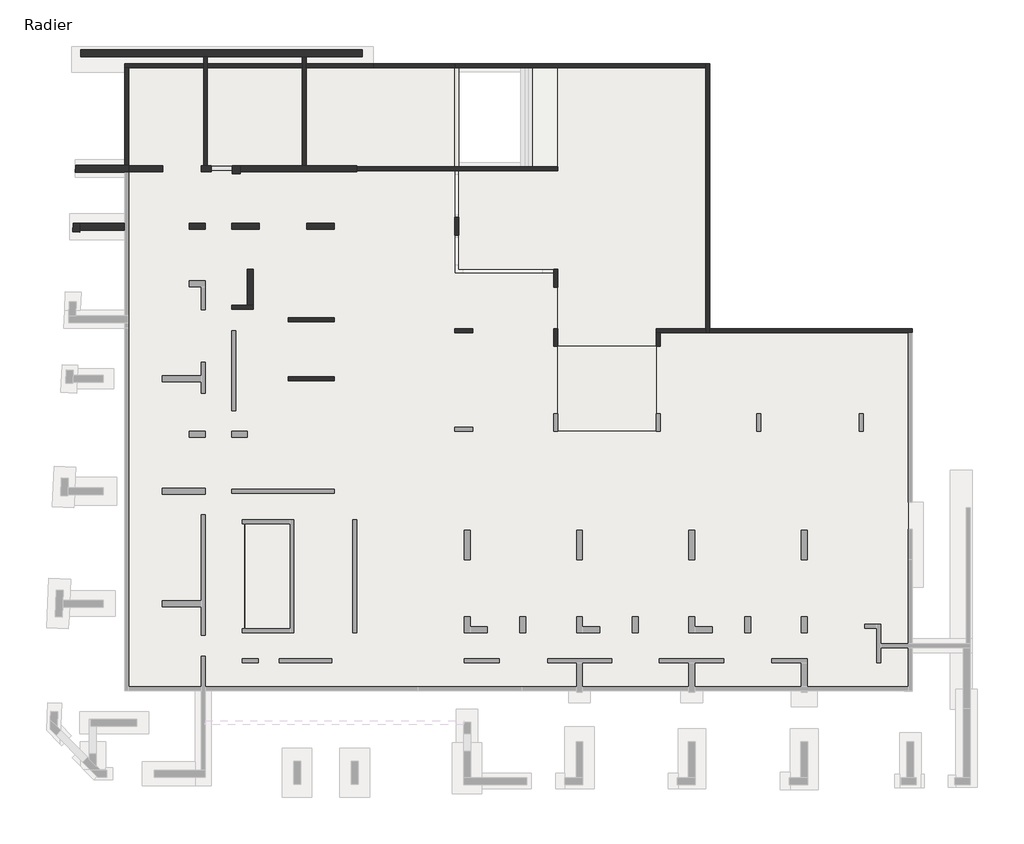
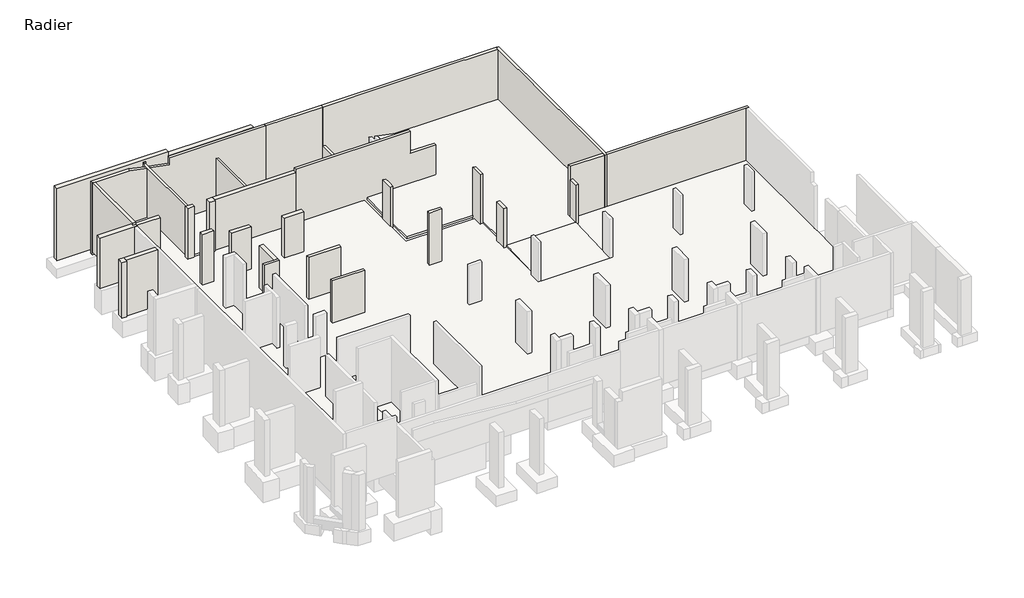
# One storey, part 3 of 5: 31 walls, 7 slabs.
"""IFC4 building model written with IfcOpenShell, lengths in millimetres."""

import ifcopenshell
import ifcopenshell.guid

model = None  # the IFC model being written
_history = None  # IfcOwnerHistory: only IFC2X3 demands one
_inside = {}  # id of a spatial element -> (the spatial element, [elements in it])
_under = {}  # id of a project, library or spatial element -> (it, [spatial elements below it])
_declared = {}  # id of a project -> (the project, [libraries it declares])
_typed = {}  # id of a type object -> (the type object, [elements of that type])
_made_of = {}  # id of a material, layer set ... -> (it, [elements and type objects made of it])


def new_model(schema):
    """Start an empty IFC model of exactly this schema.

    Asked for "IFC4X3", IfcOpenShell would pick the latest addendum, in which some entities
    have other attributes; the version numbers below select the first issue.
    IFC2X3 requires an IfcOwnerHistory on every rooted entity: one is made here for all.
    """
    global model, _history
    if schema == "IFC4X3":
        model = ifcopenshell.file(schema_version=(4, 3, 0, 0))
    else:
        model = ifcopenshell.file(schema=schema)
    _inside.clear()
    _under.clear()
    _declared.clear()
    _typed.clear()
    _made_of.clear()
    _history = None
    if model.schema == "IFC2X3":
        org = make("IfcOrganization", Name="unknown")
        user = make(
            "IfcPersonAndOrganization",
            ThePerson=make("IfcPerson", FamilyName="unknown"),
            TheOrganization=org,
        )
        app = make(
            "IfcApplication",
            ApplicationDeveloper=org,
            Version="unknown",
            ApplicationFullName="unknown",
            ApplicationIdentifier="unknown",
        )
        _history = make(
            "IfcOwnerHistory",
            OwningUser=user,
            OwningApplication=app,
            ChangeAction="ADDED",
            CreationDate=0,
        )
    return model


def make(cls, **values):
    """One entity of the class cls with the attributes given. An attribute that is None is left unset."""
    return model.create_entity(
        cls, **{name: value for name, value in values.items() if value is not None}
    )


def rooted(cls, **values):
    """An entity with a GlobalId (a new one), such as an element, a storey or a relation."""
    return make(cls, GlobalId=ifcopenshell.guid.new(), OwnerHistory=_history, **values)


def si_unit(unit_type, name, prefix=None):
    """IfcSIUnit, for example si_unit("LENGTHUNIT", "METRE", prefix="MILLI")."""
    return make("IfcSIUnit", UnitType=unit_type, Prefix=prefix, Name=name)


def assignment(units):
    """IfcUnitAssignment: the units of a project."""
    return None if units is None else make("IfcUnitAssignment", Units=units)


def point(xyz):
    """IfcCartesianPoint."""
    return None if xyz is None else make("IfcCartesianPoint", Coordinates=xyz)


def direction(xyz):
    """IfcDirection."""
    return None if xyz is None else make("IfcDirection", DirectionRatios=xyz)


def frame(location, z_axis=None, x_axis=None):
    """IfcAxis2Placement3D, a coordinate frame: its origin and axes. An axis left out is left unset."""
    return make(
        "IfcAxis2Placement3D",
        Location=point(location),
        Axis=direction(z_axis),
        RefDirection=direction(x_axis),
    )


def origin():
    """The frame at (0, 0, 0) with its axes left unset."""
    return frame((0.0, 0.0, 0.0))


def place(relative_to, where):
    """IfcLocalPlacement: puts the frame where relative to a parent placement (None: the world)."""
    return make(
        "IfcLocalPlacement", PlacementRelTo=relative_to, RelativePlacement=where
    )


def context(
    kind, dimensions, precision=None, world=None, true_north=None, identifier=None
):
    """IfcGeometricRepresentationContext, for example the 3D "Model" context."""
    return make(
        "IfcGeometricRepresentationContext",
        ContextIdentifier=identifier,
        ContextType=kind,
        CoordinateSpaceDimension=dimensions,
        Precision=precision,
        WorldCoordinateSystem=world,
        TrueNorth=true_north,
    )


def project(units=None, contexts=None):
    """IfcProject with its units and contexts."""
    return rooted(
        "IfcProject",
        Name="project",
        RepresentationContexts=contexts,
        UnitsInContext=assignment(units),
    )


def spatial(cls, under=None, at=None, **own):
    """A site, building, storey or space (cls), placed at a placement, below another one or the project."""
    s = rooted(cls, ObjectPlacement=at, **own)
    if under is not None:
        _under.setdefault(under.id(), (under, []))[1].append(s)
    return s


def polyline(points):
    """IfcPolyline through the points."""
    return make("IfcPolyline", Points=[point(p) for p in points])


def outline(outer, holes=None, kind="AREA"):
    """IfcArbitraryClosedProfileDef: a profile drawn as a closed curve; with holes, ...WithVoids."""
    if holes is None:
        return make("IfcArbitraryClosedProfileDef", ProfileType=kind, OuterCurve=outer)
    return make(
        "IfcArbitraryProfileDefWithVoids",
        ProfileType=kind,
        OuterCurve=outer,
        InnerCurves=holes,
    )


def extrude(swept, where, along, depth):
    """IfcExtrudedAreaSolid: the profile swept, set in the frame where, extruded along a direction by depth."""
    return make(
        "IfcExtrudedAreaSolid",
        SweptArea=swept,
        Position=where,
        ExtrudedDirection=direction(along),
        Depth=depth,
    )


def faces_of(points, faces, orient=None, outer=None):
    """IfcFace entities. A face is a list of loops; a loop is a list of indices into points, from 0.

    orient and outer hold one flag for each loop. By default every Orientation is true, the
    first loop of a face is its IfcFaceOuterBound and the others are IfcFaceBound.
    """
    made = []
    for i, loops in enumerate(faces):
        bounds = []
        for j, loop in enumerate(loops):
            is_outer = j == 0 if outer is None else outer[i][j]
            bounds.append(
                make(
                    "IfcFaceOuterBound" if is_outer else "IfcFaceBound",
                    Bound=make("IfcPolyLoop", Polygon=[points[k] for k in loop]),
                    Orientation=True if orient is None else orient[i][j],
                )
            )
        made.append(make("IfcFace", Bounds=bounds))
    return made


def faceted_brep(points, faces, orient=None, outer=None, voids=None):
    """IfcFacetedBrep: a solid bounded by flat faces; with voids (closed shells), ...WithVoids."""
    shared = [point(p) for p in points]
    hull = make("IfcClosedShell", CfsFaces=faces_of(shared, faces, orient, outer))
    if voids is None:
        return make("IfcFacetedBrep", Outer=hull)
    return make(
        "IfcFacetedBrepWithVoids",
        Outer=hull,
        Voids=[
            make(cls, CfsFaces=faces_of(shared, fs, o, b)) for cls, fs, o, b in voids
        ],
    )


def shape(context_of_items, identifier, shape_type, items):
    """IfcShapeRepresentation: the items that make up one representation, for example the "Body"."""
    return make(
        "IfcShapeRepresentation",
        ContextOfItems=context_of_items,
        RepresentationIdentifier=identifier,
        RepresentationType=shape_type,
        Items=items,
    )


def made_of(thing, what):
    """Note that an element or type object is made of a material, layer set ...; save() writes the relation."""
    if what is not None:
        _made_of.setdefault(what.id(), (what, []))[1].append(thing)
    return thing


def element(
    cls,
    number,
    at=None,
    inside=None,
    cuts=None,
    type_object=None,
    material=None,
    context=None,
    identifier="Body",
    shape_type=None,
    held_by="IfcProductDefinitionShape",
    body=None,
    shapes=None,
    **own,
):
    """One element of the class cls, such as IfcWall. Its Tag is "e" and its number.

    at: its placement. inside: the storey or other place that contains it. cuts: it is an
    opening in that element (IfcRelVoidsElement). A single representation is given by context,
    identifier, shape_type and body (its items); several are given by shapes. held_by: the class
    of the entity that holds the representations. save() writes the other relations.
    """
    e = rooted(cls, Tag="e%d" % number, ObjectPlacement=at, **own)
    if body is not None:
        shapes = [shape(context, identifier, shape_type, body)]
    if shapes is not None:
        e.Representation = make(held_by, Representations=shapes)
    if inside is not None:
        _inside.setdefault(inside.id(), (inside, []))[1].append(e)
    if cuts is not None:
        rooted(
            "IfcRelVoidsElement", RelatingBuildingElement=cuts, RelatedOpeningElement=e
        )
    if type_object is not None:
        _typed.setdefault(type_object.id(), (type_object, []))[1].append(e)
    return made_of(e, material)


def aggregate(whole, parts):
    """IfcRelAggregates: a whole, such as a stair, and the parts it consists of."""
    return rooted("IfcRelAggregates", RelatingObject=whole, RelatedObjects=parts)


def save(model, path):
    """Write the relations noted so far, then the file.

    IfcRelAggregates (storeys below a building ...), IfcRelContainedInSpatialStructure (elements
    in a storey), IfcRelDefinesByType, IfcRelAssociatesMaterial and IfcRelDeclares: one each for
    every whole, place, type object, material and project.
    """
    for whole, parts in _under.values():
        aggregate(whole, parts)
    for where, things in _inside.values():
        rooted(
            "IfcRelContainedInSpatialStructure",
            RelatedElements=things,
            RelatingStructure=where,
        )
    for kind, things in _typed.values():
        rooted("IfcRelDefinesByType", RelatedObjects=things, RelatingType=kind)
    for what, things in _made_of.values():
        rooted("IfcRelAssociatesMaterial", RelatedObjects=things, RelatingMaterial=what)
    for by, libraries in _declared.values():
        rooted("IfcRelDeclares", RelatingContext=by, RelatedDefinitions=libraries)
    model.write(path)


model = new_model("IFC4")

# Units and contexts
model_context = context("Model", 3, world=origin())
ifc_project = project(units=[si_unit("LENGTHUNIT", "METRE", prefix="MILLI")], contexts=[model_context])

# Site, building, storey
site = spatial("IfcSite", under=ifc_project)
building = spatial("IfcBuilding", under=site)
storey = spatial("IfcBuildingStorey", under=building, Name="Radier", Elevation=-3900.0)

# Slabs
placement = place(None, origin())
element("IfcSlab", 1, at=placement, inside=storey, context=model_context, shape_type="Brep", body=[
    faceted_brep([(-11395.6912908, 16850.9327501, -3900.0), (-11395.6912908, 11850.9327501, -3900.0), (-11395.6912908, 11650.9327501, -3900.0), (-11395.6912908, 3640.9327501, -3900.0), (-13895.6912908, 3640.9327501, -3900.0), (-13895.6912908, 3440.9327501, -3900.0), (-13895.6912908, 2940.9327501, -3900.0), (-13895.6912908, 2740.9327501, -3900.0), (-18895.6912908, 2740.9327501, -3900.0), (-18895.6912908, 2940.9327501, -3900.0), (-18895.6912908, 3440.9327501, -3900.0), (-18895.6912908, 3640.9327501, -3900.0), (-18895.6912908, 5750.9327501, -3900.0), (-18895.6912908, 6650.9327501, -3900.0), (-19095.6912908, 6650.9327501, -3900.0), (-23895.6912908, 6650.9327501, -3900.0), (-23895.6912908, 11650.9327501, -3900.0), (-19095.6912908, 11650.9327501, -3900.0), (-18895.6912908, 11650.9327501, -3900.0), (-18895.6912908, 11850.9327501, -3900.0), (-18895.6912908, 16850.9327501, -3900.0), (-11395.6912908, 16850.9327501, -3750.0), (-18895.6912908, 16850.9327501, -3750.0), (-18895.6912908, 11650.9327501, -3750.0), (-23895.6912908, 11650.9327501, -3750.0), (-23895.6912908, 9280.9327501, -3750.0), (-23895.6912908, 8380.9327501, -3750.0), (-23895.6912908, 6650.9327501, -3750.0), (-19095.6912908, 6650.9327501, -3750.0), (-18895.6912908, 6650.9327501, -3750.0), (-18895.6912908, 5750.9327501, -3750.0), (-18895.6912908, 3640.9327501, -3750.0), (-18895.6912908, 2740.9327501, -3750.0), (-13895.6912908, 2740.9327501, -3750.0), (-13895.6912908, 3640.9327501, -3750.0), (-11395.6912908, 3640.9327501, -3750.0)], [[[0, 1, 2, 3, 4, 5, 6, 7, 8, 9, 10, 11, 12, 13, 14, 15, 16, 17, 18, 19, 20]], [[21, 22, 23, 24, 25, 26, 27, 28, 29, 30, 31, 32, 33, 34, 35]], [[3, 2, 1, 0, 21, 35]], [[4, 3, 35, 34]], [[13, 12, 11, 10, 9, 8, 32, 31, 30, 29]], [[0, 20, 22, 21]], [[7, 6, 5, 4, 34, 33]], [[8, 7, 33, 32]], [[15, 14, 13, 29, 28, 27]], [[16, 15, 27, 26, 25, 24]], [[18, 17, 16, 24, 23]], [[20, 19, 18, 23, 22]]]),
])
element("IfcSlab", 2, at=placement, inside=storey, context=model_context, shape_type="SweptSolid", body=[
    extrude(outline(polyline([(-24095.6912908, 16850.9327501), (-24095.6912908, 11850.9327501), (-29065.6912908, 11850.9327501), (-29065.6912908, 11900.9327501), (-31825.6912908, 11900.9327501), (-31825.6912908, 16850.9327501), (-24095.6912908, 16850.9327501)])), frame((0.0, 0.0, -5030.0), z_axis=(0.0, 0.0, 1.0), x_axis=(1.0, 0.0, 0.0)), (0.0, 0.0, 1.0), 150.0),
])
element("IfcSlab", 3, at=placement, inside=storey, context=model_context, shape_type="Brep", body=[
    faceted_brep([(-36825.6912908, 16850.9327501, -4050.0), (-36825.6912908, 11900.9327501, -4050.0), (-36935.6912908, 11900.9327501, -4050.0), (-36935.6912908, 11600.9327501, -4050.0), (-36435.6912908, 11600.9327501, -4050.0), (-36435.6912908, 11650.9327501, -4050.0), (-35365.6912908, 11650.9327501, -4050.0), (-35365.6912908, 11500.9327501, -4050.0), (-34975.6912908, 11500.9327501, -4050.0), (-34975.6912908, 11600.9327501, -4050.0), (-29065.6912908, 11600.9327501, -4050.0), (-29065.6912908, 11650.9327501, -4050.0), (-24095.6912908, 11650.9327501, -4050.0), (-24095.6912908, 6450.9327501, -4050.0), (-23895.725742, 6450.9327501, -4050.0), (-18895.6912908, 6450.9327501, -4050.0), (-18895.6912908, 5750.9327501, -4050.0), (-18895.6912908, 3640.9327501, -4050.0), (-18895.6912908, -1559.0672499, -4050.0), (-13895.6912908, -1559.0672499, -4050.0), (-13895.6912908, 3640.9327501, -4050.0), (-1125.6912908, 3640.9327501, -4050.0), (-1125.6912908, -14499.0672499, -4050.0), (-40605.6912908, -14499.0672499, -4050.0), (-40605.6912908, 16850.9327501, -4050.0), (-32445.6912908, -6244.0672499, -4050.0), (-34745.6912908, -6244.0672499, -4050.0), (-34745.6912908, -11559.0672499, -4050.0), (-32445.6912908, -11559.0672499, -4050.0), (-36825.6912908, 16850.9327501, -3900.0), (-40605.6912908, 16850.9327501, -3900.0), (-40605.6912908, -14499.0672499, -3900.0), (-1125.6912908, -14499.0672499, -3900.0), (-1125.6912908, 3640.9327501, -3900.0), (-13895.6912908, 3640.9327501, -3900.0), (-13895.6912908, 3440.9327501, -3900.0), (-13895.6912908, 2940.9327501, -3900.0), (-13895.6912908, 2740.9327501, -3900.0), (-13895.6912908, -1359.0672499, -3900.0), (-13895.6912908, -1559.0672499, -3900.0), (-18895.6912908, -1559.0672499, -3900.0), (-18895.6912908, -1359.0672499, -3900.0), (-18895.6912908, 2740.9327501, -3900.0), (-18895.6912908, 2940.9327501, -3900.0), (-18895.6912908, 3440.9327501, -3900.0), (-18895.6912908, 3640.9327501, -3900.0), (-18895.6912908, 5750.9327501, -3900.0), (-18895.6912908, 6450.9327501, -3900.0), (-24095.6912908, 6450.9327501, -3900.0), (-24095.6912908, 11650.9327501, -3900.0), (-29065.6912908, 11650.9327501, -3900.0), (-29065.6912908, 11600.9327501, -3900.0), (-34975.6912908, 11600.9327501, -3900.0), (-34975.6912908, 11500.9327501, -3900.0), (-35365.6912908, 11500.9327501, -3900.0), (-35365.6912908, 11650.9327501, -3900.0), (-36435.6912908, 11650.9327501, -3900.0), (-36435.6912908, 11600.9327501, -3900.0), (-36935.6912908, 11600.9327501, -3900.0), (-36935.6912908, 11900.9327501, -3900.0), (-36825.6912908, 11900.9327501, -3900.0), (-32445.6912908, -6244.0672499, -3900.0), (-32445.6912908, -11559.0672499, -3900.0), (-34745.6912908, -11559.0672499, -3900.0), (-34745.6912908, -6244.0672499, -3900.0)], [[[0, 1, 2, 3, 4, 5, 6, 7, 8, 9, 10, 11, 12, 13, 14, 15, 16, 17, 18, 19, 20, 21, 22, 23, 24], [25, 26, 27, 28]], [[29, 30, 31, 32, 33, 34, 35, 36, 37, 38, 39, 40, 41, 42, 43, 44, 45, 46, 47, 48, 49, 50, 51, 52, 53, 54, 55, 56, 57, 58, 59, 60], [61, 62, 63, 64]], [[1, 0, 29, 60]], [[2, 1, 60, 59]], [[3, 2, 59, 58]], [[4, 3, 58, 57]], [[5, 4, 57, 56]], [[6, 5, 56, 55]], [[7, 6, 55, 54]], [[8, 7, 54, 53]], [[9, 8, 53, 52]], [[10, 9, 52, 51]], [[11, 10, 51, 50]], [[12, 11, 50, 49]], [[13, 12, 49, 48]], [[15, 14, 13, 48, 47]], [[18, 17, 16, 15, 47, 46, 45, 44, 43, 42, 41, 40]], [[19, 18, 40, 39]], [[20, 19, 39, 38, 37, 36, 35, 34]], [[21, 20, 34, 33]], [[22, 21, 33, 32]], [[23, 22, 32, 31]], [[24, 23, 31, 30]], [[0, 24, 30, 29]], [[26, 25, 61, 64]], [[27, 26, 64, 63]], [[28, 27, 63, 62]], [[25, 28, 62, 61]]]),
])
element("IfcSlab", 4, at=placement, inside=storey, context=model_context, shape_type="SweptSolid", body=[
    extrude(outline(polyline([(2740.9327501, -3899.5918469), (-1559.0672499, -4050.0918469), (-1559.0672499, -3900.0), (2740.9327501, -3749.5), (2740.9327501, -3899.5918469)])), frame((-18895.6912908, 0.0, 0.0), z_axis=(1.0, 0.0, 0.0), x_axis=(0.0, 1.0, 0.0)), (0.0, 0.0, 1.0), 5000.0),
])
element("IfcSlab", 5, at=placement, inside=storey, context=model_context, shape_type="SweptSolid", body=[
    extrude(outline(polyline([(-32445.6912908, -6244.0672499), (-32445.6912908, -11559.0672499), (-34745.6912908, -11559.0672499), (-34745.6912908, -6244.0672499), (-32445.6912908, -6244.0672499)])), frame((0.0, 0.0, -5750.0), z_axis=(0.0, 0.0, 1.0), x_axis=(1.0, 0.0, 0.0)), (0.0, 0.0, 1.0), 150.0),
])
element("IfcSlab", 6, at=placement, inside=storey, context=model_context, shape_type="Brep", body=[
    faceted_brep([(-18895.7442801, 16850.9327501, -3903.029703), (-18895.7442801, 11850.9327501, -3903.029703), (-18910.7428098, 11850.9327501, -3900.0), (-20150.6912908, 11850.9327501, -3649.5304068), (-20150.6912908, 16850.9327501, -3649.5304068), (-18910.7428098, 16850.9327501, -3900.0), (-18895.7442801, 16850.9327501, -3750.0), (-20150.6912908, 16850.9327501, -3496.5007038), (-20150.6912908, 11850.9327501, -3496.5007038), (-18895.7442801, 11850.9327501, -3750.0)], [[[0, 1, 2, 3, 4, 5]], [[6, 7, 8, 9]], [[1, 0, 6, 9]], [[3, 2, 1, 9, 8]], [[4, 3, 8, 7]], [[0, 5, 4, 7, 6]]]),
])
element("IfcSlab", 7, at=placement, inside=storey, context=model_context, shape_type="SweptSolid", body=[
    extrude(outline(polyline([(-31825.6912908, 16850.9327501), (-31825.6912908, 11900.9327501), (-36625.6912908, 11900.9327501), (-36625.6912908, 16850.9327501), (-31825.6912908, 16850.9327501)])), frame((0.0, 0.0, -5130.0), z_axis=(0.0, 0.0, 1.0), x_axis=(1.0, 0.0, 0.0)), (0.0, 0.0, 1.0), 250.0),
])

# Walls
element("IfcWall", 8, ObjectType="MHA20", at=placement, inside=storey, context=model_context, shape_type="Brep", body=[
    faceted_brep([(-40805.6912908, 16850.9327501, -5150.0), (-40805.6912908, 11750.9327501, -5150.0), (-40805.6912908, 11750.9327501, -4900.0), (-40805.6912908, 11750.9327501, -3900.0), (-40805.6912908, 11925.9327501, -3900.0), (-40805.6912908, 11925.9327501, -20.0), (-40805.6912908, 11900.9327501, -20.0), (-40805.6912908, 11750.9327501, -20.0), (-40805.6912908, 11750.9327501, 130.0), (-40805.6912908, 11900.9327501, 130.0), (-40805.6912908, 16850.9327501, 130.0), (-40605.6912908, 16850.9327501, -5150.0), (-40605.6912908, 16850.9327501, 130.0), (-40605.6912908, 11900.9327501, 130.0), (-40605.6912908, 11750.9327501, 130.0), (-40605.6912908, 11750.9327501, -20.0), (-40605.6912908, 11900.9327501, -20.0), (-40605.6912908, 11925.9327501, -20.0), (-40605.6912908, 11925.9327501, -3900.0), (-40605.6912908, 11750.9327501, -3900.0), (-40605.6912908, 11750.9327501, -4900.0), (-40605.6912908, 11750.9327501, -5150.0)], [[[0, 1, 2, 3, 4, 5, 6, 7, 8, 9, 10]], [[11, 12, 13, 14, 15, 16, 17, 18, 19, 20, 21]], [[1, 0, 11, 21]], [[8, 7, 15, 14]], [[10, 9, 8, 14, 13, 12]], [[0, 10, 12, 11]], [[5, 17, 16, 15, 7, 6]], [[3, 2, 1, 21, 20, 19]], [[18, 4, 3, 19]], [[5, 4, 18, 17]]]),
])
element("IfcWall", 9, ObjectType="MHA20", at=placement, inside=storey, context=model_context, shape_type="SweptSolid", body=[
    extrude(outline(polyline([(-925.6912908, 3440.9327501), (-11195.6912908, 3440.9327501), (-11195.6912908, 3640.9327501), (-925.6912908, 3640.9327501), (-925.6912908, 3440.9327501)])), frame((0.0, 0.0, -4300.0), z_axis=(0.0, 0.0, 1.0), x_axis=(1.0, 0.0, 0.0)), (0.0, 0.0, 1.0), 4400.0),
])
element("IfcWall", 10, ObjectType="MHA20", at=placement, inside=storey, context=model_context, shape_type="Brep", body=[
    faceted_brep([(-11195.6912908, 3440.9327501, -4300.0), (-11195.6912908, 3640.9327501, -4300.0), (-11195.6912908, 17050.9327501, -4300.0), (-11195.6912908, 17050.9327501, 100.0), (-11195.6912908, 3640.9327501, 100.0), (-11195.6912908, 3440.9327501, 100.0), (-11395.6912908, 3440.9327501, -4300.0), (-11395.6912908, 3440.9327501, 100.0), (-11395.6912908, 6435.9327501, 100.0), (-11395.6912908, 6635.9327501, 100.0), (-11395.6912908, 16850.9327501, 100.0), (-11395.6912908, 17050.9327501, 100.0), (-11395.6912908, 17050.9327501, -4300.0), (-11395.6912908, 16850.9327501, -4300.0)], [[[0, 1, 2, 3, 4, 5]], [[6, 7, 8, 9, 10, 11, 12, 13]], [[2, 1, 0, 6, 13, 12]], [[5, 4, 3, 11, 10, 9, 8, 7]], [[3, 2, 12, 11]], [[0, 5, 7, 6]]]),
])
element("IfcWall", 11, ObjectType="MHA20", at=placement, inside=storey, context=model_context, shape_type="Brep", body=[
    faceted_brep([(-32545.6912908, 1000.9327501, -4300.0), (-30205.6912908, 1000.9327501, -4300.0), (-30205.6912908, 1000.9327501, -1650.0), (-30205.6912908, 1000.9327501, -830.0), (-30205.6912908, 1000.9327501, -670.0), (-32545.6912908, 1000.9327501, -670.0), (-32545.6912908, 1000.9327501, -830.0), (-32545.6912908, 1000.9327501, -1650.0), (-32545.6912908, 1200.9327501, -4300.0), (-32545.6912908, 1200.9327501, -1650.0), (-32545.6912908, 1200.9327501, -830.0), (-32545.6912908, 1200.9327501, -670.0), (-30205.6912908, 1200.9327501, -670.0), (-30205.6912908, 1200.9327501, -830.0), (-30205.6912908, 1200.9327501, -1650.0), (-30205.6912908, 1200.9327501, -4300.0)], [[[0, 1, 2, 3, 4, 5, 6, 7]], [[8, 9, 10, 11, 12, 13, 14, 15]], [[1, 0, 8, 15]], [[4, 3, 2, 1, 15, 14, 13, 12]], [[5, 4, 12, 11]], [[0, 7, 6, 5, 11, 10, 9, 8]]]),
])
element("IfcWall", 12, ObjectType="MHA20", at=placement, inside=storey, context=model_context, shape_type="Brep", body=[
    faceted_brep([(-35405.6912908, 4620.9327501, -4300.0), (-34305.6912908, 4620.9327501, -4300.0), (-34305.6912908, 4620.9327501, -670.0), (-35405.6912908, 4620.9327501, -670.0), (-35405.6912908, 4820.9327501, -4300.0), (-35405.6912908, 4820.9327501, -670.0), (-34605.6912908, 4820.9327501, -670.0), (-34305.6912908, 4820.9327501, -670.0), (-34305.6912908, 4820.9327501, -4300.0), (-34605.6912908, 4820.9327501, -4300.0)], [[[0, 1, 2, 3]], [[4, 5, 6, 7, 8, 9]], [[1, 0, 4, 9, 8]], [[3, 2, 7, 6, 5]], [[0, 3, 5, 4]], [[2, 1, 8, 7]]]),
])
element("IfcWall", 13, ObjectType="MHA20", at=placement, inside=storey, context=model_context, shape_type="Brep", body=[
    faceted_brep([(-30205.6912908, 4200.9327501, -4300.0), (-32545.6912908, 4200.9327501, -4300.0), (-32545.6912908, 4200.9327501, -670.0), (-30205.6912908, 4200.9327501, -670.0), (-30205.6912908, 4200.9327501, -830.0), (-30205.6912908, 4200.9327501, -1650.0), (-30205.6912908, 4000.9327501, -4300.0), (-30205.6912908, 4000.9327501, -1650.0), (-30205.6912908, 4000.9327501, -830.0), (-30205.6912908, 4000.9327501, -670.0), (-32545.6912908, 4000.9327501, -670.0), (-32545.6912908, 4000.9327501, -4300.0)], [[[0, 1, 2, 3, 4, 5]], [[6, 7, 8, 9, 10, 11]], [[1, 0, 6, 11]], [[2, 1, 11, 10]], [[3, 2, 10, 9]], [[0, 5, 4, 3, 9, 8, 7, 6]]]),
])
element("IfcWall", 14, ObjectType="MHA20", at=placement, inside=storey, context=model_context, shape_type="Brep", body=[
    faceted_brep([(-36625.6912908, 11900.9327501, -5400.0), (-36625.6912908, 16850.9327501, -5400.0), (-36625.6912908, 17050.9327501, -5400.0), (-36625.6912908, 17405.9327501, -5400.0), (-36625.6912908, 17405.9327501, -20.0), (-36625.6912908, 17380.9327501, -20.0), (-36625.6912908, 17380.9327501, -168.54), (-36625.6912908, 17050.9327501, -168.54), (-36625.6912908, 16850.9327501, -168.54), (-36625.6912908, 11900.9327501, -168.54), (-36825.6912908, 17405.9327501, -5400.0), (-36825.6912908, 17050.9327501, -5400.0), (-36825.6912908, 16850.9327501, -5400.0), (-36825.6912908, 11900.9327501, -5400.0), (-36825.6912908, 11900.9327501, -128.14), (-36825.6912908, 16850.9327501, -128.14), (-36825.6912908, 17050.9327501, -128.14), (-36825.6912908, 17380.9327501, -128.14), (-36825.6912908, 17380.9327501, -20.0), (-36825.6912908, 17405.9327501, -20.0)], [[[0, 1, 2, 3, 4, 5, 6, 7, 8, 9]], [[10, 11, 12, 13, 14, 15, 16, 17, 18, 19]], [[3, 2, 1, 0, 13, 12, 11, 10]], [[4, 19, 18, 5]], [[13, 0, 9, 14]], [[17, 6, 5, 18]], [[6, 17, 16, 15, 14, 9, 8, 7]], [[4, 3, 10, 19]]]),
])
element("IfcWall", 15, ObjectType="MHA20", at=placement, inside=storey, context=model_context, shape_type="Brep", body=[
    faceted_brep([(-24095.6912908, 16850.9327501, -4300.0), (-11395.6912908, 16850.9327501, -4300.0), (-11395.6912908, 16850.9327501, 100.0), (-13695.6912908, 16850.9327501, 100.0), (-13895.6912908, 16850.9327501, 100.0), (-20550.6912908, 16850.9327501, 100.0), (-20750.6912908, 16850.9327501, 100.0), (-24095.6912908, 16850.9327501, 100.0), (-24095.6912908, 16850.9327501, -2576.9882812), (-24095.6912908, 17050.9327501, -4300.0), (-24095.6912908, 17050.9327501, 100.0), (-11395.6912908, 17050.9327501, 100.0), (-11395.6912908, 17050.9327501, -4300.0)], [[[0, 1, 2, 3, 4, 5, 6, 7, 8]], [[9, 10, 11, 12]], [[1, 0, 9, 12]], [[7, 6, 5, 4, 3, 2, 11, 10]], [[0, 8, 7, 10, 9]], [[2, 1, 12, 11]]]),
])
element("IfcWall", 16, ObjectType="MHA20", at=placement, inside=storey, context=model_context, shape_type="Brep", body=[
    faceted_brep([(-29065.6912908, 11650.9327501, 230.0), (-29065.6912908, 11650.9327501, -5570.0), (-18895.7442801, 11650.9327501, -5570.0), (-18895.7442801, 11650.9327501, -4550.0), (-18895.7442801, 11650.9327501, -3900.0), (-18895.7442801, 11650.9327501, -1450.0), (-20750.6912908, 11650.9327501, -1450.0), (-20750.6912908, 11650.9327501, 230.0), (-29065.6912908, 11850.9327501, -5570.0), (-29065.6912908, 11850.9327501, 230.0), (-20750.6912908, 11850.9327501, 230.0), (-20750.6912908, 11850.9327501, -1450.0), (-18895.7442801, 11850.9327501, -1450.0), (-18895.7442801, 11850.9327501, -3900.0), (-18895.7442801, 11850.9327501, -4550.0), (-18895.7442801, 11850.9327501, -5570.0)], [[[0, 1, 2, 3, 4, 5, 6, 7]], [[8, 9, 10, 11, 12, 13, 14, 15]], [[2, 1, 8, 15]], [[5, 4, 3, 2, 15, 14, 13, 12]], [[0, 7, 10, 9]], [[0, 9, 8, 1]], [[6, 5, 12, 11]], [[7, 6, 11, 10]]]),
])
element("IfcWall", 17, ObjectType="MHA20", at=placement, inside=storey, context=model_context, shape_type="Brep", body=[
    faceted_brep([(-31625.6912908, 11900.9327501, -5400.0), (-31625.6912908, 16850.9327501, -5400.0), (-31625.6912908, 17050.9327501, -5400.0), (-31625.6912908, 17405.9327501, -5400.0), (-31625.6912908, 17405.9327501, -1178.54), (-31625.6912908, 17050.9327501, -1178.54), (-31625.6912908, 16850.9327501, -1178.54), (-31625.6912908, 11900.9327501, -1178.54), (-31825.6912908, 17405.9327501, -5400.0), (-31825.6912908, 17050.9327501, -5400.0), (-31825.6912908, 16850.9327501, -5400.0), (-31825.6912908, 11900.9327501, -5400.0), (-31825.6912908, 11900.9327501, -1138.14), (-31825.6912908, 16850.9327501, -1138.14), (-31825.6912908, 17050.9327501, -1138.14), (-31825.6912908, 17405.9327501, -1138.14)], [[[0, 1, 2, 3, 4, 5, 6, 7]], [[8, 9, 10, 11, 12, 13, 14, 15]], [[3, 2, 1, 0, 11, 10, 9, 8]], [[11, 0, 7, 12]], [[3, 8, 15, 4]], [[7, 6, 5, 4, 15, 14, 13, 12]]]),
])
element("IfcWall", 18, ObjectType="MHA20", at=placement, inside=storey, context=model_context, shape_type="Brep", body=[
    faceted_brep([(-23895.6912908, 11850.9327501, -5400.0), (-23895.6912908, 16850.9327501, -5400.0), (-23895.6912908, 16850.9327501, -2903.2316832), (-23895.6912908, 11850.9327501, -2903.2316832), (-24095.6912908, 16850.9327501, -5400.0), (-24095.6912908, 11850.9327501, -5400.0), (-24095.6912908, 11850.9327501, -2862.8316832), (-24095.6912908, 16850.9327501, -2862.8316832), (-24095.6912908, 16850.9327501, -4300.0)], [[[0, 1, 2, 3]], [[4, 5, 6, 7, 8]], [[1, 0, 5, 4]], [[5, 0, 3, 6]], [[3, 2, 7, 6]], [[1, 4, 8, 7, 2]]]),
])
element("IfcWall", 19, ObjectType="MHA20", at=placement, inside=storey, context=model_context, shape_type="Brep", body=[
    faceted_brep([(-13895.6912908, 3440.9327501, -4300.0), (-13695.6912908, 3440.9327501, -4300.0), (-11395.6912908, 3440.9327501, -4300.0), (-11395.6912908, 3440.9327501, 100.0), (-13895.6912908, 3440.9327501, 100.0), (-13895.6912908, 3440.9327501, -900.0), (-13895.6912908, 3440.9327501, -1450.0), (-13895.6912908, 3440.9327501, -3900.0), (-13895.6912908, 3640.9327501, -4300.0), (-13895.6912908, 3640.9327501, -3900.0), (-13895.6912908, 3640.9327501, -1450.0), (-13895.6912908, 3640.9327501, 100.0), (-11395.6912908, 3640.9327501, 100.0), (-11395.6912908, 3640.9327501, -4300.0)], [[[0, 1, 2, 3, 4, 5, 6, 7]], [[8, 9, 10, 11, 12, 13]], [[2, 1, 0, 8, 13]], [[3, 2, 13, 12]], [[4, 3, 12, 11]], [[0, 7, 6, 5, 4, 11, 10, 9, 8]]]),
])
element("IfcWall", 20, ObjectType="MHA20", at=placement, inside=storey, context=model_context, shape_type="SweptSolid", body=[
    extrude(outline(polyline([(-24095.6912908, 16850.9327501), (-28225.6912908, 16850.9327501), (-28225.6912908, 17050.9327501), (-24095.6912908, 17050.9327501), (-24095.6912908, 16850.9327501)])), frame((0.0, 0.0, -5400.0), z_axis=(0.0, 0.0, 1.0), x_axis=(1.0, 0.0, 0.0)), (0.0, 0.0, 1.0), 5500.0),
])
element("IfcWall", 21, ObjectType="MHA20", at=placement, inside=storey, context=model_context, shape_type="Brep", body=[
    faceted_brep([(-28225.6912908, 16850.9327501, -5400.0), (-28225.6912908, 16850.9327501, 100.0), (-35175.6912908, 16850.9327501, 100.0), (-35175.6912908, 16850.9327501, -461.44), (-36625.6912908, 16850.9327501, -168.54), (-36625.6912908, 16850.9327501, -5400.0), (-31825.6912908, 16850.9327501, -5400.0), (-31825.6912908, 16850.9327501, -1138.14), (-31625.6912908, 16850.9327501, -1178.54), (-31625.6912908, 16850.9327501, -5400.0), (-28225.6912908, 17050.9327501, 100.0), (-28225.6912908, 17050.9327501, -5400.0), (-31625.6912908, 17050.9327501, -5400.0), (-31625.6912908, 17050.9327501, -1178.54), (-31825.6912908, 17050.9327501, -1138.14), (-31825.6912908, 17050.9327501, -5400.0), (-36625.6912908, 17050.9327501, -5400.0), (-36625.6912908, 17050.9327501, -168.54), (-35175.6912908, 17050.9327501, -461.44), (-35175.6912908, 17050.9327501, 100.0)], [[[0, 1, 2, 3, 4, 5, 6, 7, 8, 9]], [[10, 11, 12, 13, 14, 15, 16, 17, 18, 19]], [[11, 0, 9, 12]], [[5, 16, 15, 6]], [[1, 0, 11, 10]], [[2, 1, 10, 19]], [[3, 2, 19, 18]], [[3, 18, 17, 4]], [[5, 4, 17, 16]], [[8, 13, 12, 9]], [[14, 7, 6, 15]], [[13, 8, 7, 14]]]),
    faceted_brep([(-40805.6912908, 16850.9327501, 130.0), (-40805.6912908, 16850.9327501, -5150.0), (-40805.6912908, 16850.9327501, -5400.0), (-36825.6912908, 16850.9327501, -5400.0), (-36825.6912908, 16850.9327501, -128.14), (-38103.6120829, 16850.9327501, 130.0), (-40605.6912908, 16850.9327501, 130.0), (-40805.6912908, 17050.9327501, -5400.0), (-40805.6912908, 17050.9327501, 130.0), (-38103.6120829, 17050.9327501, 130.0), (-36825.6912908, 17050.9327501, -128.14), (-36825.6912908, 17050.9327501, -5400.0)], [[[0, 1, 2, 3, 4, 5, 6]], [[7, 8, 9, 10, 11]], [[2, 7, 11, 3]], [[2, 1, 0, 8, 7]], [[9, 5, 4, 10]], [[0, 6, 5, 9, 8]], [[4, 3, 11, 10]]]),
])
element("IfcWall", 22, ObjectType="MHA20", at=placement, inside=storey, context=model_context, shape_type="Brep", body=[
    faceted_brep([(-13695.6912908, 2740.9327501, -4300.0), (-13695.6912908, 3440.9327501, -4300.0), (-13695.6912908, 3440.9327501, -1450.0), (-13695.6912908, 3440.9327501, -900.0), (-13695.6912908, 2740.9327501, -900.0), (-13695.6912908, 2740.9327501, -1450.0), (-13895.6912908, 2740.9327501, -4300.0), (-13895.6912908, 2740.9327501, -4150.0), (-13895.6912908, 2740.9327501, -3900.0), (-13895.6912908, 2740.9327501, -1450.0), (-13895.6912908, 2740.9327501, -900.0), (-13895.6912908, 3440.9327501, -900.0), (-13895.6912908, 3440.9327501, -1450.0), (-13895.6912908, 3440.9327501, -4300.0)], [[[0, 1, 2, 3, 4, 5]], [[6, 7, 8, 9, 10, 11, 12, 13]], [[1, 0, 6, 13]], [[4, 3, 11, 10]], [[0, 5, 4, 10, 9, 8, 7, 6]], [[3, 2, 1, 13, 12, 11]]]),
])
element("IfcWall", 23, ObjectType="MHA20", at=placement, inside=storey, context=model_context, shape_type="Brep", body=[
    faceted_brep([(-19095.6912908, 3640.9327501, -4300.0), (-19095.6912908, 3440.9327501, -4300.0), (-19095.6912908, 2740.9327501, -4300.0), (-19095.6912908, 2740.9327501, -1450.0), (-19095.6912908, 2740.9327501, -900.0), (-19095.6912908, 3440.9327501, -900.0), (-19095.6912908, 3640.9327501, -900.0), (-19095.6912908, 3640.9327501, -1450.0), (-19095.6912908, 3640.9327501, -3750.0), (-19095.6912908, 3640.9327501, -3900.0), (-19095.6912908, 3640.9327501, -4050.0), (-18895.6912908, 3640.9327501, -4300.0), (-18895.6912908, 3640.9327501, -4050.0), (-18895.6912908, 3640.9327501, -3900.0), (-18895.6912908, 3640.9327501, -3750.0), (-18895.6912908, 3640.9327501, -1450.0), (-18895.6912908, 3640.9327501, -900.0), (-18895.6912908, 3440.9327501, -900.0), (-18895.6912908, 2740.9327501, -900.0), (-18895.6912908, 2740.9327501, -1450.0), (-18895.6912908, 2740.9327501, -3900.0), (-18895.6912908, 2740.9327501, -4150.0), (-18895.6912908, 2740.9327501, -4300.0), (-18895.6912908, 3440.9327501, -4300.0)], [[[0, 1, 2, 3, 4, 5, 6, 7, 8, 9, 10]], [[11, 12, 13, 14, 15, 16, 17, 18, 19, 20, 21, 22, 23]], [[2, 1, 0, 11, 23, 22]], [[4, 3, 2, 22, 21, 20, 19, 18]], [[6, 5, 4, 18, 17, 16]], [[0, 10, 9, 8, 7, 6, 16, 15, 14, 13, 12, 11]]]),
])
element("IfcWall", 24, ObjectType="MHA20", at=placement, inside=storey, context=model_context, shape_type="Brep", body=[
    faceted_brep([(-18895.6912908, 5750.9327501, -4300.0), (-18895.6912908, 6650.9327501, -4300.0), (-18895.6912908, 6650.9327501, -3900.0), (-18895.6912908, 6650.9327501, -1450.0), (-18895.6912908, 6650.9327501, -951.7089998), (-18895.6912908, 6650.9327501, -771.7), (-18895.6912908, 6650.9327501, -100.0), (-18895.6912908, 5750.9327501, -100.0), (-18895.6912908, 5750.9327501, -771.7), (-18895.6912908, 5750.9327501, -951.7089998), (-18895.6912908, 5750.9327501, -1450.0), (-18895.6912908, 5750.9327501, -3750.0), (-18895.6912908, 5750.9327501, -3900.0), (-18895.6912908, 5750.9327501, -4050.0), (-19095.6912908, 5750.9327501, -4300.0), (-19095.6912908, 5750.9327501, -4050.0), (-19095.6912908, 5750.9327501, -3900.0), (-19095.6912908, 5750.9327501, -3750.0), (-19095.6912908, 5750.9327501, -1450.0), (-19095.6912908, 5750.9327501, -949.7089998), (-19095.6912908, 5750.9327501, -769.7), (-19095.6912908, 5750.9327501, -100.0), (-19095.6912908, 6650.9327501, -100.0), (-19095.6912908, 6650.9327501, -769.7), (-19095.6912908, 6650.9327501, -949.7089998), (-19095.6912908, 6650.9327501, -1450.0), (-19095.6912908, 6650.9327501, -3750.0), (-19095.6912908, 6650.9327501, -3900.0), (-19095.6912908, 6650.9327501, -4300.0), (-19095.6912908, 6450.9327501, -4300.0)], [[[0, 1, 2, 3, 4, 5, 6, 7, 8, 9, 10, 11, 12, 13]], [[14, 15, 16, 17, 18, 19, 20, 21, 22, 23, 24, 25, 26, 27, 28, 29]], [[1, 0, 14, 29, 28]], [[6, 5, 4, 3, 2, 1, 28, 27, 26, 25, 24, 23, 22]], [[7, 6, 22, 21]], [[0, 13, 12, 11, 10, 9, 8, 7, 21, 20, 19, 18, 17, 16, 15, 14]]]),
])
element("IfcWall", 25, ObjectType="MHA20", at=placement, inside=storey, context=model_context, shape_type="Brep", body=[
    faceted_brep([(-23895.6912908, 8380.9327501, -4300.0), (-23895.6912908, 9280.9327501, -4300.0), (-23895.6912908, 9280.9327501, -3750.0), (-23895.6912908, 9280.9327501, -901.7089998), (-23895.6912908, 8930.9327501, -901.7089998), (-23895.6912908, 8730.9327501, -901.7089998), (-23895.6912908, 8380.9327501, -901.7089998), (-23895.6912908, 8380.9327501, -3750.0), (-24095.6912908, 8380.9327501, -4300.0), (-24095.6912908, 8380.9327501, -3750.0), (-24095.6912908, 8380.9327501, -901.7089998), (-24095.6912908, 8730.9327501, -901.7089998), (-24095.6912908, 8930.9327501, -901.7089998), (-24095.6912908, 9280.9327501, -901.7089998), (-24095.6912908, 9280.9327501, -3750.0), (-24095.6912908, 9280.9327501, -4300.0)], [[[0, 1, 2, 3, 4, 5, 6, 7]], [[8, 9, 10, 11, 12, 13, 14, 15]], [[1, 0, 8, 15]], [[3, 2, 1, 15, 14, 13]], [[6, 5, 4, 3, 13, 12, 11, 10]], [[0, 7, 6, 10, 9, 8]]]),
])
element("IfcWall", 26, ObjectType="MHA20", at=placement, inside=storey, context=model_context, shape_type="Brep", body=[
    faceted_brep([(-24095.725742, 3440.9327501, -4300.0), (-23195.725742, 3440.9327501, -4300.0), (-23195.725742, 3440.9327501, -4050.0), (-23195.725742, 3440.9327501, 100.0), (-24095.725742, 3440.9327501, 100.0), (-24095.725742, 3440.9327501, -1450.0), (-24095.725742, 3640.9327501, -4300.0), (-24095.725742, 3640.9327501, -4050.0), (-24095.725742, 3640.9327501, -1450.0), (-24095.725742, 3640.9327501, 100.0), (-23195.725742, 3640.9327501, 100.0), (-23195.725742, 3640.9327501, -4050.0), (-23195.725742, 3640.9327501, -4300.0), (-23895.725742, 3640.9327501, -4300.0)], [[[0, 1, 2, 3, 4, 5]], [[6, 7, 8, 9, 10, 11, 12, 13]], [[1, 0, 6, 13, 12]], [[3, 2, 1, 12, 11, 10]], [[4, 3, 10, 9]], [[0, 5, 4, 9, 8, 7, 6]]]),
])
element("IfcWall", 27, ObjectType="MHA30", at=placement, inside=storey, context=model_context, shape_type="SweptSolid", body=[
    extrude(outline(polyline([(-34305.6912908, 6650.9327501), (-34305.6912908, 4820.9327501), (-34605.6912908, 4820.9327501), (-34605.6912908, 6650.9327501), (-34305.6912908, 6650.9327501)])), frame((0.0, 0.0, -4300.0), z_axis=(0.0, 0.0, 1.0), x_axis=(1.0, 0.0, 0.0)), (0.0, 0.0, 1.0), 3630.0),
])
element("IfcWall", 28, ObjectType="MHA30", at=placement, inside=storey, context=model_context, shape_type="SweptSolid", body=[
    extrude(outline(polyline([(-37535.6912908, 8980.9327501), (-36735.6912908, 8980.9327501), (-36735.6912908, 8680.9327501), (-37535.6912908, 8680.9327501), (-37535.6912908, 8980.9327501)])), frame((0.0, 0.0, -4300.0), z_axis=(0.0, 0.0, 1.0), x_axis=(1.0, 0.0, 0.0)), (0.0, 0.0, 1.0), 4280.0),
])
element("IfcWall", 29, ObjectType="MHA30", at=placement, inside=storey, context=model_context, shape_type="Brep", body=[
    faceted_brep([(-36435.6912908, 11900.9327501, -5570.0), (-36935.6912908, 11900.9327501, -5570.0), (-36935.6912908, 11900.9327501, -20.0), (-36435.6912908, 11900.9327501, -20.0), (-36435.6912908, 11600.9327501, -5570.0), (-36435.6912908, 11600.9327501, -20.0), (-36935.6912908, 11600.9327501, -20.0), (-36935.6912908, 11600.9327501, -5570.0), (-36435.6912908, 11850.9327501, -5570.0), (-36435.6912908, 11650.9327501, -5570.0)], [[[0, 1, 2, 3]], [[4, 5, 6, 7]], [[1, 0, 8, 9, 4, 7]], [[2, 1, 7, 6]], [[3, 2, 6, 5]], [[0, 3, 5, 4, 9, 8]]]),
])
element("IfcWall", 30, ObjectType="MHA30", at=placement, inside=storey, context=model_context, shape_type="Brep", body=[
    faceted_brep([(-34975.6912908, 11600.9327501, -5570.0), (-29065.6912908, 11600.9327501, -5570.0), (-29065.6912908, 11600.9327501, -20.0), (-34975.6912908, 11600.9327501, -20.0), (-34975.6912908, 11900.9327501, -5570.0), (-34975.6912908, 11900.9327501, -20.0), (-29065.6912908, 11900.9327501, -20.0), (-29065.6912908, 11900.9327501, -5570.0), (-29065.6912908, 11850.9327501, -5570.0), (-29065.6912908, 11650.9327501, -5570.0)], [[[0, 1, 2, 3]], [[4, 5, 6, 7]], [[1, 0, 4, 7, 8, 9]], [[2, 1, 9, 8, 7, 6]], [[3, 2, 6, 5]], [[0, 3, 5, 4]]]),
])
element("IfcWall", 31, ObjectType="MHA30", at=placement, inside=storey, context=model_context, shape_type="Brep", body=[
    faceted_brep([(-35405.6912908, 8680.9327501, -4300.0), (-34005.6912908, 8680.9327501, -4300.0), (-34005.6912908, 8680.9327501, -1650.0), (-34005.6912908, 8680.9327501, -830.0), (-34005.6912908, 8680.9327501, -670.0), (-35405.6912908, 8680.9327501, -670.0), (-35405.6912908, 8980.9327501, -4300.0), (-35405.6912908, 8980.9327501, -670.0), (-34005.6912908, 8980.9327501, -670.0), (-34005.6912908, 8980.9327501, -830.0), (-34005.6912908, 8980.9327501, -1650.0), (-34005.6912908, 8980.9327501, -4300.0)], [[[0, 1, 2, 3, 4, 5]], [[6, 7, 8, 9, 10, 11]], [[1, 0, 6, 11]], [[4, 3, 2, 1, 11, 10, 9, 8]], [[5, 4, 8, 7]], [[0, 5, 7, 6]]]),
])
element("IfcWall", 32, ObjectType="MHA30", at=placement, inside=storey, context=model_context, shape_type="Brep", body=[
    faceted_brep([(-31605.6912908, 8680.9327501, -4300.0), (-30205.6912908, 8680.9327501, -4300.0), (-30205.6912908, 8680.9327501, -1650.0), (-30205.6912908, 8680.9327501, -830.0), (-31605.6912908, 8680.9327501, -830.0), (-31605.6912908, 8680.9327501, -1650.0), (-31605.6912908, 8980.9327501, -4300.0), (-31605.6912908, 8980.9327501, -1650.0), (-31605.6912908, 8980.9327501, -830.0), (-30205.6912908, 8980.9327501, -830.0), (-30205.6912908, 8980.9327501, -1650.0), (-30205.6912908, 8980.9327501, -4300.0)], [[[0, 1, 2, 3, 4, 5]], [[6, 7, 8, 9, 10, 11]], [[1, 0, 6, 11]], [[3, 2, 1, 11, 10, 9]], [[4, 3, 9, 8]], [[0, 5, 4, 8, 7, 6]]]),
])
element("IfcWall", 33, ObjectType="MHA30", at=placement, inside=storey, context=model_context, shape_type="SweptSolid", body=[
    extrude(outline(polyline([(-40605.6912908, 11900.9327501), (-38895.6912908, 11900.9327501), (-38895.6912908, 11600.9327501), (-40605.6912908, 11600.9327501), (-40605.6912908, 11900.9327501)])), frame((0.0, 0.0, -3900.0), z_axis=(0.0, 0.0, 1.0), x_axis=(1.0, 0.0, 0.0)), (0.0, 0.0, 1.0), 3880.0),
])
element("IfcWall", 34, ObjectType="MHA35", at=placement, inside=storey, context=model_context, shape_type="Brep", body=[
    faceted_brep([(-40605.6912908, 11925.9327501, -20.0), (-40605.6912908, 11925.9327501, -3900.0), (-40805.6912908, 11925.9327501, -3900.0), (-43301.2393501, 11925.9327501, -3900.0), (-43301.2393501, 11925.9327501, -20.0), (-40805.6912908, 11925.9327501, -20.0), (-40605.6912908, 11575.9327501, -3900.0), (-40605.6912908, 11575.9327501, -67.8), (-40605.6912908, 11575.9327501, -20.0), (-43317.1170694, 11575.9327501, -20.0), (-43317.1170694, 11575.9327501, -3700.0), (-43317.1170694, 11575.9327501, -3900.0), (-42966.7571088, 11575.9327501, -3900.0), (-40805.6912908, 11575.9327501, -3900.0), (-40605.6912908, 11900.9327501, -3900.0), (-40605.6912908, 11750.9327501, -3900.0), (-40605.6912908, 11600.9327501, -3900.0), (-40605.6912908, 11600.9327501, -20.0), (-40605.6912908, 11750.9327501, -20.0), (-40605.6912908, 11900.9327501, -20.0)], [[[0, 1, 2, 3, 4, 5]], [[6, 7, 8, 9, 10, 11, 12, 13]], [[6, 13, 12, 11, 3, 2, 1, 14, 15, 16]], [[9, 8, 17, 18, 19, 0, 5, 4]], [[1, 0, 19, 18, 17, 8, 7, 6, 16, 15, 14]], [[4, 3, 11, 10, 9]]]),
])
element("IfcWall", 35, ObjectType="MHA35", at=placement, inside=storey, context=model_context, shape_type="Brep", body=[
    faceted_brep([(-40805.6912908, 8980.9327501, -4300.0), (-43084.4790562, 8980.9327501, -4300.0), (-43084.4790562, 8980.9327501, -20.0), (-40805.6912908, 8980.9327501, -20.0), (-40805.6912908, 8980.9327501, -55.8), (-40805.6912908, 8630.9327501, -4300.0), (-40805.6912908, 8630.9327501, -20.0), (-43100.3567755, 8630.9327501, -20.0), (-43100.3567755, 8630.9327501, -4300.0)], [[[0, 1, 2, 3, 4]], [[5, 6, 7, 8]], [[1, 0, 5, 8]], [[3, 2, 7, 6]], [[0, 4, 3, 6, 5]], [[2, 1, 8, 7]]]),
])
element("IfcWall", 36, ObjectType="MHA35", at=placement, inside=storey, context=model_context, shape_type="Brep", body=[
    faceted_brep([(-28795.6912908, 17405.9327501, -5400.0), (-28795.6912908, 17405.9327501, -150.0), (-34975.6912908, 17405.9327501, -150.0), (-34975.6912908, 17405.9327501, 130.0), (-43052.6396307, 17405.9327501, 130.0), (-43052.6396307, 17405.9327501, -5400.0), (-36825.6912908, 17405.9327501, -5400.0), (-36625.6912908, 17405.9327501, -5400.0), (-31825.6912908, 17405.9327501, -5400.0), (-31625.6912908, 17405.9327501, -5400.0), (-28795.6912908, 17755.9327501, -150.0), (-28795.6912908, 17755.9327501, -5400.0), (-43036.7619114, 17755.9327501, -5400.0), (-43036.7619114, 17755.9327501, 130.0), (-34975.6912908, 17755.9327501, 130.0), (-34975.6912908, 17755.9327501, -150.0), (-34975.6912908, 17430.9327501, 130.0), (-34975.6912908, 17730.9327501, 130.0), (-34975.6912908, 17730.9327501, -150.0), (-34975.6912908, 17430.9327501, -150.0)], [[[0, 1, 2, 3, 4, 5, 6, 7, 8, 9]], [[10, 11, 12, 13, 14, 15]], [[5, 4, 13, 12]], [[11, 0, 9, 8, 7, 6, 5, 12]], [[1, 0, 11, 10]], [[3, 16, 17, 14, 13, 4]], [[2, 1, 10, 15, 18, 19]], [[3, 2, 19, 18, 15, 14, 17, 16]]]),
])
element("IfcWall", 37, ObjectType="MHA35", at=placement, inside=storey, context=model_context, shape_type="Brep", body=[
    faceted_brep([(-43104.8825344, 8531.1693292, -4300.0), (-43100.3567755, 8630.9327501, -4300.0), (-43084.4790562, 8980.9327501, -4300.0), (-43084.4790562, 8980.9327501, -20.0), (-43100.3567755, 8630.9327501, -20.0), (-43104.8825344, 8531.1693292, -20.0), (-43104.8825344, 8531.1693292, -3700.0), (-43454.5229436, 8547.0307357, -4300.0), (-43454.5229436, 8547.0307357, -3700.0), (-43454.5229436, 8547.0307357, -420.0), (-43454.5229436, 8547.0307357, -140.0), (-43454.5229436, 8547.0307357, -20.0), (-43434.8390168, 8980.9327501, -20.0), (-43434.8390168, 8980.9327501, -140.0), (-43434.8390168, 8980.9327501, -420.0), (-43434.8390168, 8980.9327501, -4300.0)], [[[0, 1, 2, 3, 4, 5, 6]], [[7, 8, 9, 10, 11, 12, 13, 14, 15]], [[2, 1, 0, 7, 15]], [[5, 4, 3, 12, 11]], [[0, 6, 5, 11, 10, 9, 8, 7]], [[3, 2, 15, 14, 13, 12]]]),
])
element("IfcWall", 38, ObjectType="MHA40", at=placement, inside=storey, context=model_context, shape_type="Brep", body=[
    faceted_brep([(-34975.6912908, 11900.9327501, -5570.0), (-35365.6912908, 11900.9327501, -5570.0), (-35365.6912908, 11900.9327501, -20.0), (-34975.6912908, 11900.9327501, -20.0), (-34975.6912908, 11500.9327501, -5570.0), (-34975.6912908, 11500.9327501, -20.0), (-35365.6912908, 11500.9327501, -20.0), (-35365.6912908, 11500.9327501, -5570.0), (-34975.6912908, 11600.9327501, -5570.0), (-35365.6912908, 11650.9327501, -5570.0), (-35365.6912908, 11850.9327501, -5570.0), (-34975.6912908, 11600.9327501, -20.0)], [[[0, 1, 2, 3]], [[4, 5, 6, 7]], [[1, 0, 8, 4, 7, 9, 10]], [[2, 1, 10, 9, 7, 6]], [[3, 2, 6, 5, 11]], [[0, 3, 11, 5, 4, 8]]]),
])

save(model, "model.ifc")
